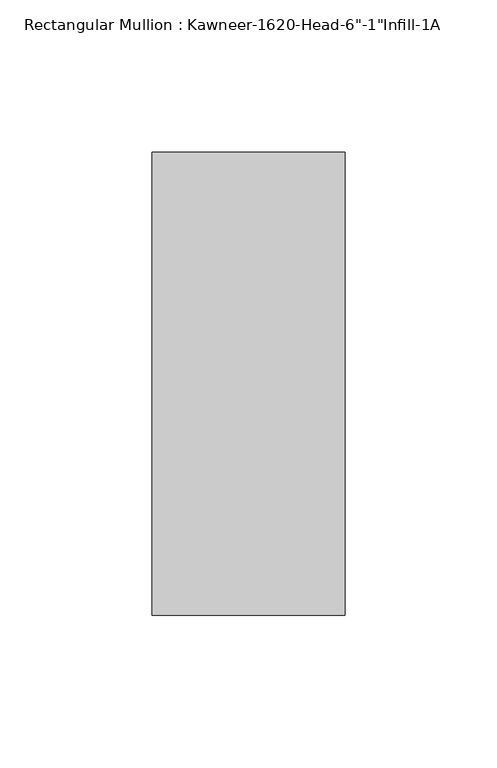
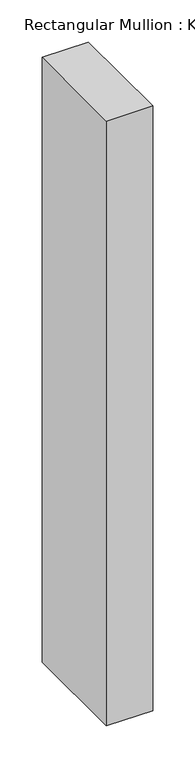
"""IFC4 building model written with IfcOpenShell, lengths in millimetres: member geometry."""

from ifc_helpers import new_model, si_unit, frame, origin, place, context, project, spatial, polyline, outline, extrude, source, transform, mapped, element, save


def member_90100489(model_context):
    return source(origin(), model_context, "Body", "SweptSolid", [
        extrude(outline(polyline([(-63.5, 38.1), (0.0, 38.1), (0.0, -114.3), (-63.5, -114.3), (-63.5, 38.1)])), frame((0.0, 0.0, -876.3), z_axis=(0.0, 0.0, 1.0), x_axis=(1.0, 0.0, 0.0)), (0.0, 0.0, 1.0), 876.3),
    ])


if __name__ == "__main__":
    model = new_model("IFC4")
    model_context = context("Model", 3, world=origin())
    ifc_project = project(units=[si_unit("LENGTHUNIT", "METRE", prefix="MILLI")], contexts=[model_context])
    site = spatial("IfcSite", under=ifc_project)
    building = spatial("IfcBuilding", under=site)
    placement = place(None, origin())
    member_shape = member_90100489(model_context)
    element("IfcMember", 1, ObjectType="Rectangular Mullion : Kawneer-1620-Head-6\"-1\"Infill-1A", at=placement, inside=building, context=model_context, shape_type="MappedRepresentation", body=[
        mapped(member_shape, transform((0.0, 0.0, 0.0), x_axis=(1.0, 0.0, 0.0), y_axis=(0.0, 1.0, 0.0), z_axis=(0.0, 0.0, 1.0))),
    ])
    save(model, "model.ifc")
